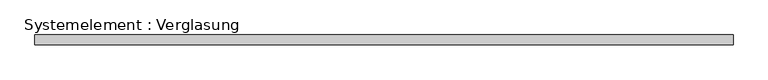
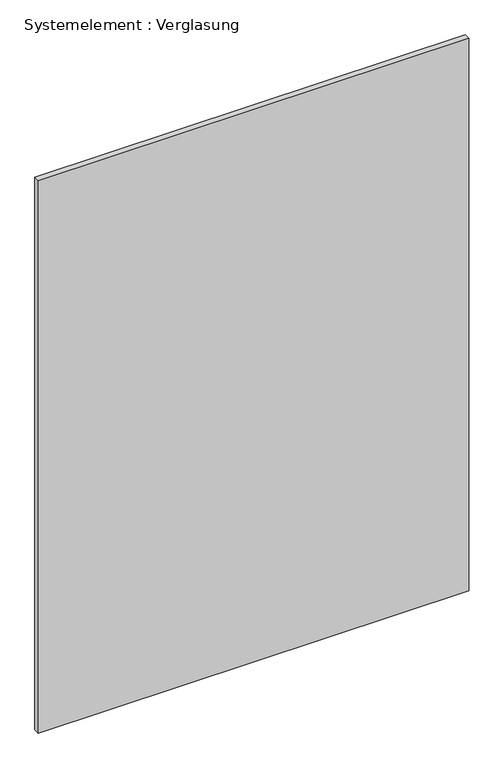
"""IFC4 building model written with IfcOpenShell, lengths in millimetres: plate geometry, Systemelement : Verglasung."""

from ifc_helpers import new_model, si_unit, origin, origin_with_axes, place, context, project, spatial, polyline, outline, extrude, source, transform, mapped, element, save


def systemelement_verglasung_fad9b852(model_context):
    return source(origin(), model_context, "Body", "SweptSolid", [
        extrude(outline(polyline([(1091.1213028, -15.0), (-1091.1213028, -15.0), (-1091.1213028, 15.0), (1091.1213028, 15.0), (1091.1213028, -15.0)])), origin_with_axes(), (0.0, 0.0, 1.0), 2960.0),
    ])


if __name__ == "__main__":
    model = new_model("IFC4")
    model_context = context("Model", 3, world=origin())
    ifc_project = project(units=[si_unit("LENGTHUNIT", "METRE", prefix="MILLI")], contexts=[model_context])
    site = spatial("IfcSite", under=ifc_project)
    building = spatial("IfcBuilding", under=site)
    placement = place(None, origin())
    systemelement_verglasung_shape = systemelement_verglasung_fad9b852(model_context)
    element("IfcPlate", 1, ObjectType="Systemelement : Verglasung", at=placement, inside=building, context=model_context, shape_type="MappedRepresentation", body=[
        mapped(systemelement_verglasung_shape, transform((0.0, 0.0, 0.0), x_axis=(1.0, 0.0, 0.0), y_axis=(0.0, 1.0, 0.0), z_axis=(0.0, 0.0, 1.0))),
    ])
    save(model, "model.ifc")
